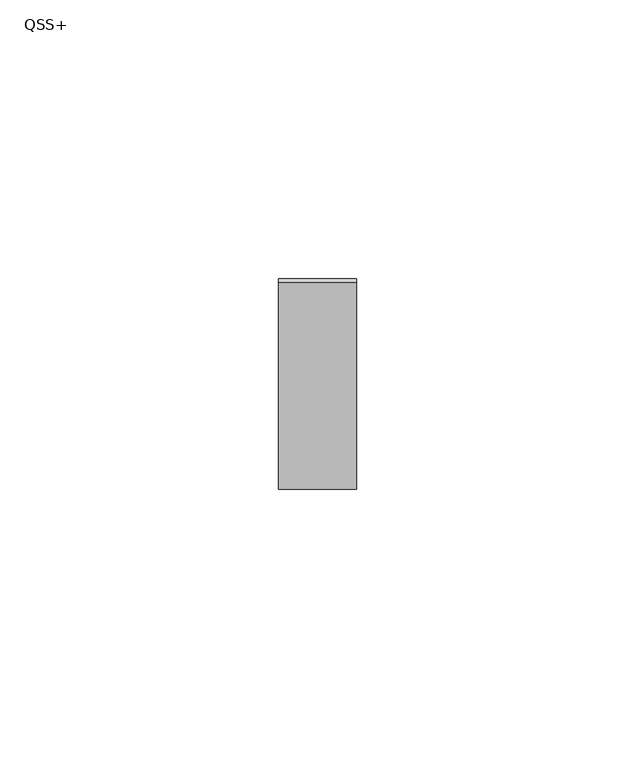
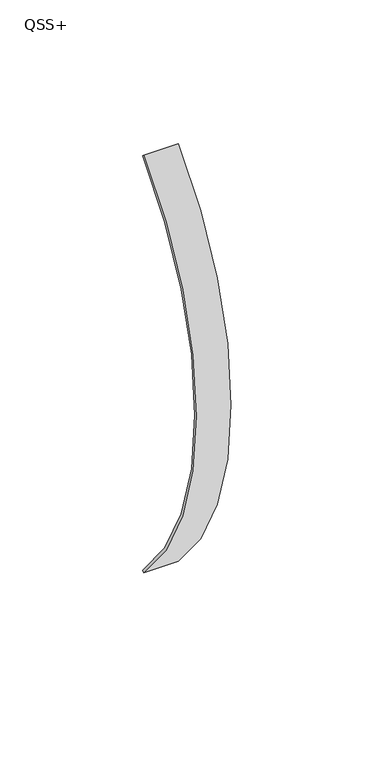
"""IFC4 building model written with IfcOpenShell, lengths in millimetres: proxy geometry, QSS+."""

from ifc_helpers import new_model, si_unit, point, frame, origin, origin_2d, place, context, project, spatial, polyline, circle_curve, trimmed, segment, composite_curve, outline, extrude, source, transform, mapped, element, save


def qss_1c98cede(model_context):
    return source(origin(), model_context, "Body", "SweptSolid", [
        extrude(outline(composite_curve([segment(trimmed(circle_curve(origin_2d(), 126.5), [point((-89.4490078, -89.4490078))], [point((-89.4490078, 89.4490078))], False, "CARTESIAN"), True, "CONTINUOUS"), segment(polyline([(-89.4490078, 89.4490078), (-88.741901, 88.741901)]), True, "CONTINUOUS"), segment(trimmed(circle_curve(origin_2d(), 125.5), [point((-88.741901, 88.741901))], [point((-88.741901, -88.741901))], True, "CARTESIAN"), True, "CONTINUOUS"), segment(polyline([(-88.741901, -88.741901), (-89.4490078, -89.4490078)]), True, "CONTINUOUS")], self_intersect=False)), frame((-7.0, 0.0, 0.0), z_axis=(1.0, 0.0, 0.0), x_axis=(0.0, 1.0, 0.0)), (0.0, 0.0, 1.0), 14.0),
    ])


if __name__ == "__main__":
    model = new_model("IFC4")
    model_context = context("Model", 3, world=origin())
    ifc_project = project(units=[si_unit("LENGTHUNIT", "METRE", prefix="MILLI")], contexts=[model_context])
    site = spatial("IfcSite", under=ifc_project)
    building = spatial("IfcBuilding", under=site)
    placement = place(None, origin())
    qss_shape = qss_1c98cede(model_context)
    element("IfcBuildingElementProxy", 1, Name="QSS+", ObjectType="QSS+", at=placement, inside=building, context=model_context, shape_type="MappedRepresentation", body=[
        mapped(qss_shape, transform((0.0, 0.0, 0.0), x_axis=(1.0, 0.0, 0.0), y_axis=(0.0, 1.0, 0.0), z_axis=(0.0, 0.0, 1.0))),
    ])
    save(model, "model.ifc")
